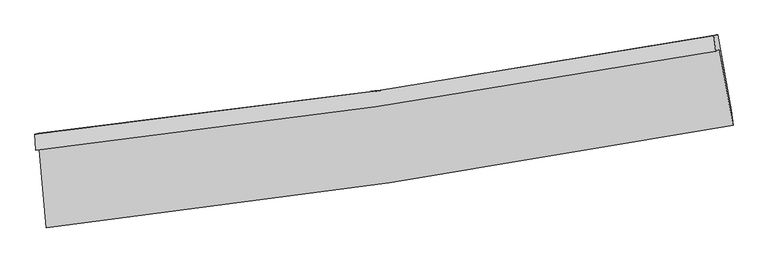
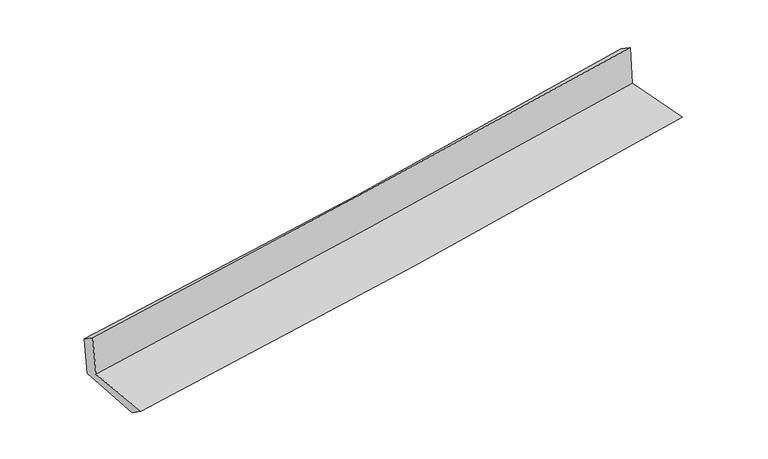
"""IFC4 building model written with IfcOpenShell, lengths in millimetres: proxy geometry."""

from ifc_helpers import new_model, si_unit, frame, origin, place, context, project, spatial, source, transform, mapped, element, save
from ifc_brep_helpers import plane_surface, spline_curve, spline_surface, advanced_brep


def generic_models_fd38c9b3(model_context):
    return source(origin(), model_context, "Body", "AdvancedBrep", [
        advanced_brep(
        [(-2952.7477398, -1908.4977608, 1620.9160646), (-2891.6990004, -2582.7194088, 1618.5671415), (3029.9426766, -1699.7811828, 2121.5558331), (2912.6767869, -1043.9133837, 2121.1903416), (-2985.1497231, -1913.7661862, 2018.39462), (2881.1567782, -1058.8275334, 2518.531523), (-2990.2904659, -1776.0910562, 1930.3134162), (2865.0062337, -927.6343795, 2433.5429891), (-2959.2054953, -1768.6406818, 1546.3761819), (2897.0855525, -920.0094835, 2044.8526706), (-2895.9989832, -2441.8480726, 1516.8337167), (3015.5118573, -1570.5928478, 2020.7470429)],
        [
            (0, 1),
            (1, 2, spline_curve(3, [(-2891.6990004, -2582.7194088, 1618.5671415), (-1903.836567508, -2470.76250497, 1711.96206249), (-917.997002325, -2341.494886445, 1800.457659513), (1055.90943526, -2047.403602782, 1968.183234067), (2043.950429256, -1882.358479039, 2047.350534557), (3029.9426766, -1699.7811828, 2121.5558331)], [4, 2, 4], [0.0, 9.778617782287505, 19.619586294509006])),
            (2, 3),
            (3, 0, spline_curve(3, [(2912.6767869, -1043.9133837, 2121.1903416), (1934.984130947, -1216.341822622, 2053.430113774), (955.794330852, -1374.789419653, 1977.702748964), (-999.366089059, -1662.807612758, 1810.844019397), (-1975.317798045, -1792.55480813, 1719.813291909), (-2952.7477398, -1908.4977608, 1620.9160646)], [4, 2, 4], [0.0, 9.840968512221501, 19.619586294509006])),
            (4, 0),
            (3, 5),
            (5, 4, spline_curve(3, [(2881.1567782, -1058.8275334, 2518.531523), (1903.334432617, -1236.997770017, 2460.543638202), (924.006027716, -1397.498214504, 2389.69843758), (-1031.448496465, -1682.254569177, 2222.823729162), (-2007.55559239, -1806.733675398, 2126.956629005), (-2985.1497231, -1913.7661862, 2018.39462)], [4, 2, 4], [0.0, 9.79296440690126, 19.523882229847942])),
            (6, 4),
            (5, 7),
            (7, 6, spline_curve(3, [(2865.0062337, -927.6343795, 2433.5429891), (1890.693031301, -1105.43589455, 2356.71371847), (914.036946817, -1265.208960805, 2276.218400215), (-1037.758213964, -1547.800126213, 2108.428901515), (-2012.867695789, -1670.845951975, 2021.181028724), (-2990.2904659, -1776.0910562, 1930.3134162)], [4, 2, 4], [0.0, 9.783216519841327, 19.5044482167095])),
            (8, 6),
            (7, 9),
            (9, 8, spline_curve(3, [(2897.0855525, -920.0094835, 2044.8526706), (1922.737502175, -1097.812684342, 1967.138612123), (945.980658888, -1257.601227059, 1886.600917646), (-1006.146783848, -1540.250740729, 1720.406421393), (-1981.486956538, -1663.339264151, 1634.785286169), (-2959.2054953, -1768.6406818, 1546.3761819)], [4, 2, 4], [0.0, 9.773919021790107, 19.485912127999086])),
            (10, 8),
            (9, 11),
            (11, 10, spline_curve(3, [(3015.5118573, -1570.5928478, 2020.7470429), (2030.583660713, -1744.347309187, 1942.425841388), (1043.922612541, -1904.015253459, 1861.129586287), (-926.602889564, -2194.25572738, 1693.120898423), (-1910.445454741, -2325.006191625, 1606.446044455), (-2895.9989832, -2441.8480726, 1516.8337167)], [4, 2, 4], [0.0, 9.821853823567901, 19.581478024670908])),
            (1, 10),
            (11, 2),
        ],
        [
            spline_surface(3, 3, [[(-2952.7477398, -1908.4977608, 1620.9160646), (-1975.317797967, -1792.554808069, 1719.813292021), (-999.366089157, -1662.807612728, 1810.844019479), (955.794330951, -1374.789419683, 1977.702748881), (1934.984131046, -1216.341822656, 2053.430113761), (2912.6767869, -1043.9133837, 2121.1903416)], [(-2932.398160001, -2133.238310128, 1620.133090257), (-1951.490721167, -2018.624040416, 1717.196215518), (-972.243060261, -1889.036704022, 1807.381899448), (989.166032405, -1598.994147333, 1974.529577329), (1971.306230438, -1438.347374809, 2051.40358736), (2951.765416797, -1262.53598338, 2121.312172127)], [(-2912.048580199, -2357.978859472, 1619.350115843), (-1927.663644363, -2244.693272778, 1714.579138946), (-945.120031319, -2115.265795308, 1803.919779403), (1022.537733905, -1823.198874974, 1971.356405762), (2007.628329838, -1660.352927024, 2049.377060879), (2990.854046703, -1481.15858312, 2121.434002573)], [(-2891.6990004, -2582.7194088, 1618.5671415), (-1903.836567562, -2470.762505125, 1711.962062443), (-917.997002423, -2341.494886602, 1800.457659372), (1055.90943536, -2047.403602624, 1968.18323421), (2043.95042923, -1882.358479177, 2047.350534478), (3029.9426766, -1699.7811828, 2121.5558331)]], [4, 4], [4, 2, 4], [0.0, 2.2368053898642724], [0.0, 9.778617782287505, 19.619586294509006]),
            spline_surface(3, 3, [[(-2985.1497231, -1913.7661862, 2018.39462), (-2007.555592233, -1806.733675387, 2126.95662886), (-1031.448496494, -1682.254569118, 2222.823729133), (924.006027745, -1397.498214563, 2389.698437608), (1903.334432463, -1236.997769891, 2460.543638341), (2881.1567782, -1058.8275334, 2518.531523)], [(-2974.349061997, -1912.010044423, 1885.901768198), (-1996.809660809, -1802.007386304, 1991.242183245), (-1020.754360697, -1675.772250347, 2085.497159254), (934.602128831, -1389.928616295, 2252.366541372), (1913.884332003, -1230.112454166, 2324.839130147), (2891.663447779, -1053.856150186, 2386.084462532)], [(-2963.548400903, -1910.253902577, 1753.408916402), (-1986.063729392, -1797.281097152, 1855.527737636), (-1010.060224954, -1669.2899315, 1948.170589358), (945.198229865, -1382.359017951, 2115.034645118), (1924.434231506, -1223.227138381, 2189.134621955), (2902.170117321, -1048.884766914, 2253.637402068)], [(-2952.7477398, -1908.4977608, 1620.9160646), (-1975.317797967, -1792.554808069, 1719.813292021), (-999.366089157, -1662.807612728, 1810.844019479), (955.794330951, -1374.789419683, 1977.702748881), (1934.984131046, -1216.341822656, 2053.430113761), (2912.6767869, -1043.9133837, 2121.1903416)]], [4, 4], [4, 2, 4], [0.0, 1.3574841356687914], [0.0, 9.730917822946681, 19.523882229847942]),
            spline_surface(3, 3, [[(-2990.2904659, -1776.0910562, 1930.3134162), (-2012.867695799, -1670.845952116, 2021.181028692), (-1037.758213928, -1547.80012625, 2108.428901502), (914.036946781, -1265.208960767, 2276.218400228), (1890.693031438, -1105.435894409, 2356.713718388), (2865.0062337, -927.6343795, 2433.5429891)], [(-2988.576884979, -1821.982766178, 1959.673817459), (-2011.096994623, -1716.141859851, 2056.439562074), (-1035.654974779, -1592.618273853, 2146.560510691), (917.359973773, -1309.305378679, 2314.045079333), (1894.906831753, -1149.28985289, 2391.323691697), (2870.389748507, -971.365430787, 2461.872500391)], [(-2986.863304021, -1867.874476222, 1989.034218741), (-2009.32629341, -1761.437767652, 2091.698095478), (-1033.551735642, -1637.436421516, 2184.692119945), (920.683000753, -1353.401796652, 2351.871758504), (1899.120632148, -1193.143811411, 2425.933665032), (2875.773263393, -1015.096482113, 2490.202011709)], [(-2985.1497231, -1913.7661862, 2018.39462), (-2007.555592233, -1806.733675387, 2126.95662886), (-1031.448496494, -1682.254569118, 2222.823729133), (924.006027745, -1397.498214563, 2389.698437608), (1903.334432463, -1236.997769891, 2460.543638341), (2881.1567782, -1058.8275334, 2518.531523)]], [4, 4], [4, 2, 4], [0.0, 0.576099698250912], [0.0, 9.721231696868172, 19.5044482167095]),
            spline_surface(3, 3, [[(-2959.2054953, -1768.6406818, 1546.3761819), (-1981.486956475, -1663.33926402, 1634.785286072), (-1006.146783817, -1540.250740663, 1720.406421331), (945.980658857, -1257.601227125, 1886.600917707), (1922.737502095, -1097.81268438, 1967.138612032), (2897.0855525, -920.0094835, 2044.8526706)], [(-2969.567152144, -1771.124139926, 1674.355260004), (-1991.947202894, -1665.841493378, 1763.583866949), (-1016.683927189, -1542.767202523, 1849.74724805), (935.33275483, -1260.137138337, 2016.473411876), (1912.056011881, -1100.353754377, 2096.996980828), (2886.392446239, -922.551115487, 2174.416110111)], [(-2979.928809056, -1773.607598074, 1802.334338096), (-2002.40744938, -1668.343722758, 1892.382447815), (-1027.221070556, -1545.283664391, 1979.088074784), (924.684850807, -1262.673049556, 2146.345906059), (1901.374521651, -1102.894824413, 2226.855349592), (2875.699339961, -925.092747513, 2303.979549589)], [(-2990.2904659, -1776.0910562, 1930.3134162), (-2012.867695799, -1670.845952116, 2021.181028692), (-1037.758213928, -1547.80012625, 2108.428901502), (914.036946781, -1265.208960767, 2276.218400228), (1890.693031438, -1105.435894409, 2356.713718388), (2865.0062337, -927.6343795, 2433.5429891)]], [4, 4], [4, 2, 4], [0.0, 1.2801676604892713], [0.0, 9.711993106208979, 19.485912127999086]),
            spline_surface(3, 3, [[(-2895.9989832, -2441.8480726, 1516.8337167), (-1910.445454718, -2325.006191612, 1606.446044505), (-926.602889544, -2194.25572748, 1693.120898269), (1043.922612521, -1904.015253358, 1861.129586442), (2030.583660832, -1744.347309258, 1942.425841444), (3015.5118573, -1570.5928478, 2020.7470429)], [(-2917.067820575, -2217.445609008, 1526.681205088), (-1934.125955312, -2104.450549089, 1615.892458349), (-953.117520969, -1976.254065211, 1702.216072648), (1011.275294633, -1688.543911284, 1869.620030221), (1994.634941255, -1528.835767658, 1950.663431637), (2976.036422369, -1353.731726393, 2028.782252131)], [(-2938.136657925, -1993.043145392, 1536.528693512), (-1957.806455881, -1883.894906543, 1625.338872228), (-979.632152392, -1758.252402932, 1711.311246953), (978.627976745, -1473.072569199, 1878.110473927), (1958.686221671, -1313.32422598, 1958.901021839), (2936.560987431, -1136.870604907, 2036.817461369)], [(-2959.2054953, -1768.6406818, 1546.3761819), (-1981.486956475, -1663.33926402, 1634.785286072), (-1006.146783817, -1540.250740663, 1720.406421331), (945.980658857, -1257.601227125, 1886.600917707), (1922.737502095, -1097.81268438, 1967.138612032), (2897.0855525, -920.0094835, 2044.8526706)]], [4, 4], [4, 2, 4], [0.0, 2.154696175680273], [0.0, 9.759624201103007, 19.581478024670908]),
            spline_surface(3, 3, [[(-2891.6990004, -2582.7194088, 1618.5671415), (-1903.836567562, -2470.762505125, 1711.962062443), (-917.997002423, -2341.494886602, 1800.457659372), (1055.90943536, -2047.403602624, 1968.18323421), (2043.95042923, -1882.358479177, 2047.350534478), (3029.9426766, -1699.7811828, 2121.5558331)], [(-2893.132328004, -2535.762296737, 1584.655999894), (-1906.039529951, -2422.177067291, 1676.790056457), (-920.865631468, -2292.415166886, 1764.678738996), (1051.913827743, -1999.607486194, 1932.498684946), (2039.494839773, -1836.354755872, 2012.375636775), (3025.132403509, -1656.718404468, 2087.952903008)], [(-2894.565655596, -2488.805184663, 1550.744858306), (-1908.242492329, -2373.591629446, 1641.61805049), (-923.7342605, -2243.335447196, 1728.899818645), (1047.918220138, -1951.811369788, 1896.814135705), (2035.039250289, -1790.351032563, 1977.400739147), (3020.322130391, -1613.655626132, 2054.349972992)], [(-2895.9989832, -2441.8480726, 1516.8337167), (-1910.445454718, -2325.006191612, 1606.446044505), (-926.602889544, -2194.25572748, 1693.120898269), (1043.922612521, -1904.015253358, 1861.129586442), (2030.583660832, -1744.347309258, 1942.425841444), (3015.5118573, -1570.5928478, 2020.7470429)]], [4, 4], [4, 2, 4], [0.0, 0.5933636619874852], [0.0, 9.816664049208974, 19.69592142015445]),
            plane_surface(frame((2933.5633142, -1203.4598018, 2210.0700667), z_axis=(0.9808694556717992, 0.17542159398297913, 0.08439416623546395), x_axis=(-0.08223644879657603, -0.01954668584282333, 0.9964211426710545))),
            plane_surface(frame((-2945.848568, -2065.2605277, 1708.5668568), z_axis=(-0.9925889801145178, -0.08958990636639863, -0.082102163384904), x_axis=(-0.09017752566710503, 0.9959196629904777, 0.00346968780901492))),
        ],
        [
            (0, [[1, 2, 3, 4]]),
            (1, [[5, -4, 6, 7]]),
            (2, [[8, -7, 9, 10]]),
            (3, [[11, -10, 12, 13]]),
            (4, [[14, -13, 15, 16]]),
            (5, [[17, -16, 18, -2]]),
            (6, [[-12, -9, -6, -3, -18, -15]]),
            (7, [[-1, -5, -8, -11, -14, -17]]),
        ],
    ),
    ])


if __name__ == "__main__":
    model = new_model("IFC4")
    model_context = context("Model", 3, world=origin())
    ifc_project = project(units=[si_unit("LENGTHUNIT", "METRE", prefix="MILLI")], contexts=[model_context])
    site = spatial("IfcSite", under=ifc_project)
    building = spatial("IfcBuilding", under=site)
    placement = place(None, origin())
    generic_models_shape = generic_models_fd38c9b3(model_context)
    element("IfcBuildingElementProxy", 1, Name="Generic Models", at=placement, inside=building, context=model_context, shape_type="MappedRepresentation", body=[
        mapped(generic_models_shape, transform((0.0, 0.0, 0.0), x_axis=(1.0, 0.0, 0.0), y_axis=(0.0, 1.0, 0.0), z_axis=(0.0, 0.0, 1.0))),
    ])
    save(model, "model.ifc")
